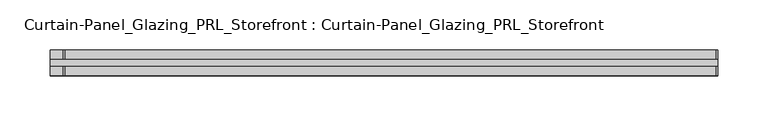
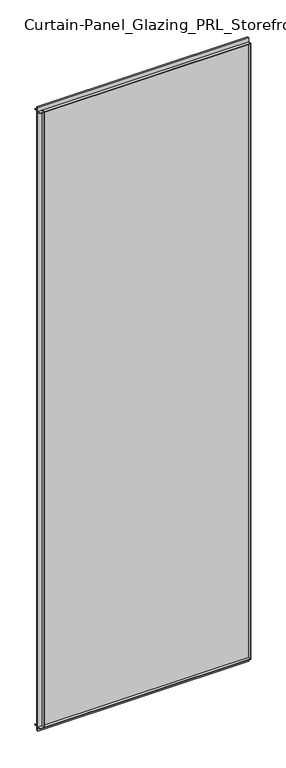
"""IFC4 building model written with IfcOpenShell, lengths in millimetres: plate geometry, Curtain-Panel_Glazing_PRL_Storefront : Curtain-Panel_Glazing_PRL_Storefront."""

from ifc_helpers import new_model, si_unit, frame, origin, origin_with_axes, place, context, project, spatial, polyline, outline, extrude, source, transform, mapped, element, save


def curtain_panel_glazing_prl_storefront_curtain_panel_glazing_ceb776f1(model_context):
    return source(origin(), model_context, "Body", "SweptSolid", [
        extrude(outline(polyline([(269.875, 12.7), (269.875, 3.175), (268.2875, 3.175), (268.2875, 12.7), (269.875, 12.7)])), frame((0.0, 0.0, 12.7), z_axis=(0.0, 0.0, 1.0), x_axis=(1.0, 0.0, 0.0)), (0.0, 0.0, 1.0), 2047.08125),
        extrude(outline(polyline([(269.875, -12.7), (268.2875, -12.7), (268.2875, -3.175), (269.875, -3.175), (269.875, -12.7)])), frame((0.0, 0.0, 12.7), z_axis=(0.0, 0.0, 1.0), x_axis=(1.0, 0.0, 0.0)), (0.0, 0.0, 1.0), 2047.08125),
        extrude(outline(polyline([(-381.0, 12.7), (-379.4125, 12.7), (-379.4125, 3.175), (-381.0, 3.175), (-381.0, 12.7)])), frame((0.0, 0.0, 12.7), z_axis=(0.0, 0.0, 1.0), x_axis=(1.0, 0.0, 0.0)), (0.0, 0.0, 1.0), 2047.08125),
        extrude(outline(polyline([(-381.0, -12.7), (-381.0, -3.175), (-379.4125, -3.175), (-379.4125, -12.7), (-381.0, -12.7)])), frame((0.0, 0.0, 12.7), z_axis=(0.0, 0.0, 1.0), x_axis=(1.0, 0.0, 0.0)), (0.0, 0.0, 1.0), 2047.08125),
        extrude(outline(polyline([(269.875, -3.175), (-393.7, -3.175), (-393.7, 3.175), (269.875, 3.175), (269.875, -3.175)])), origin_with_axes(), (0.0, 0.0, 1.0), 2072.48125),
        extrude(outline(polyline([(-393.7, 12.7), (269.875, 12.7), (269.875, 3.175), (-393.7, 3.175), (-393.7, 12.7)])), frame((0.0, 0.0, 2058.19375), z_axis=(0.0, 0.0, 1.0), x_axis=(1.0, 0.0, 0.0)), (0.0, 0.0, 1.0), 1.5875),
        extrude(outline(polyline([(-393.7, -12.7), (-393.7, -3.175), (269.875, -3.175), (269.875, -12.7), (-393.7, -12.7)])), frame((0.0, 0.0, 2058.19375), z_axis=(0.0, 0.0, 1.0), x_axis=(1.0, 0.0, 0.0)), (0.0, 0.0, 1.0), 1.5875),
        extrude(outline(polyline([(-393.7, 12.7), (269.875, 12.7), (269.875, 3.175), (-393.7, 3.175), (-393.7, 12.7)])), frame((0.0, 0.0, 12.7), z_axis=(0.0, 0.0, 1.0), x_axis=(1.0, 0.0, 0.0)), (0.0, 0.0, 1.0), 1.5875),
        extrude(outline(polyline([(-393.7, -12.7), (-393.7, -3.175), (269.875, -3.175), (269.875, -12.7), (-393.7, -12.7)])), frame((0.0, 0.0, 12.7), z_axis=(0.0, 0.0, 1.0), x_axis=(1.0, 0.0, 0.0)), (0.0, 0.0, 1.0), 1.5875),
    ])


if __name__ == "__main__":
    model = new_model("IFC4")
    model_context = context("Model", 3, world=origin())
    ifc_project = project(units=[si_unit("LENGTHUNIT", "METRE", prefix="MILLI")], contexts=[model_context])
    site = spatial("IfcSite", under=ifc_project)
    building = spatial("IfcBuilding", under=site)
    placement = place(None, origin())
    curtain_panel_glazing_prl_storefront_curtain_panel_glazing_shape = curtain_panel_glazing_prl_storefront_curtain_panel_glazing_ceb776f1(model_context)
    element("IfcPlate", 1, ObjectType="Curtain-Panel_Glazing_PRL_Storefront : Curtain-Panel_Glazing_PRL_Storefront", at=placement, inside=building, context=model_context, shape_type="MappedRepresentation", body=[
        mapped(curtain_panel_glazing_prl_storefront_curtain_panel_glazing_shape, transform((0.0, 0.0, 0.0), x_axis=(1.0, 0.0, 0.0), y_axis=(0.0, 1.0, 0.0), z_axis=(0.0, 0.0, 1.0))),
    ])
    save(model, "model.ifc")
